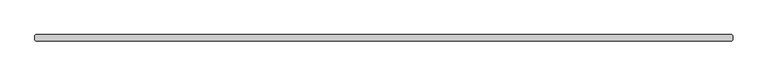
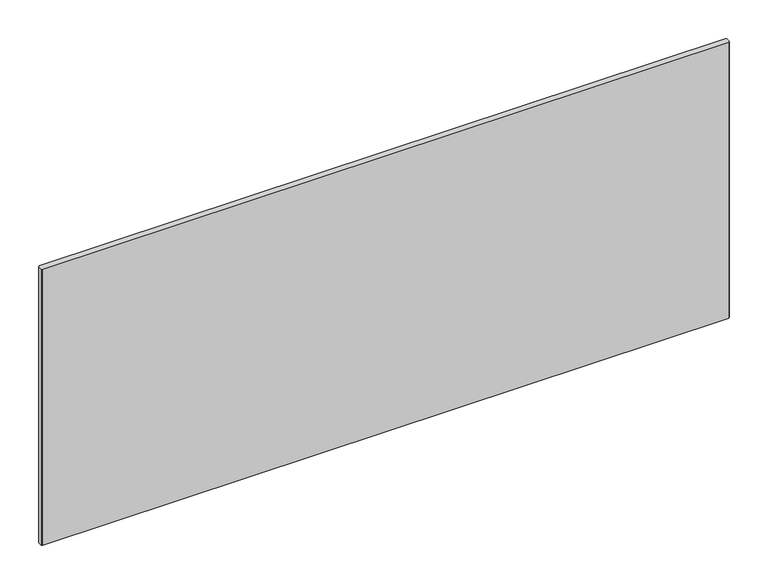
"""IFC4 building model written with IfcOpenShell, lengths in millimetres: plate geometry."""

from ifc_helpers import new_model, si_unit, origin, origin_with_axes, place, context, project, spatial, polyline, outline, extrude, source, transform, mapped, element, save


def plate_1100c49e(model_context):
    return source(origin(), model_context, "Body", "SweptSolid", [
        extrude(outline(polyline([(518.4363122, -34.925), (-518.4363122, -34.925), (-520.0238122, -33.3375), (-520.0238122, -26.9875), (-518.4363122, -25.4), (518.4363122, -25.4), (520.0238122, -26.9875), (520.0238122, -33.3375), (518.4363122, -34.925)])), origin_with_axes(), (0.0, 0.0, 1.0), 441.2289267),
    ])


if __name__ == "__main__":
    model = new_model("IFC4")
    model_context = context("Model", 3, world=origin())
    ifc_project = project(units=[si_unit("LENGTHUNIT", "METRE", prefix="MILLI")], contexts=[model_context])
    site = spatial("IfcSite", under=ifc_project)
    building = spatial("IfcBuilding", under=site)
    placement = place(None, origin())
    plate_shape = plate_1100c49e(model_context)
    element("IfcPlate", 1, at=placement, inside=building, context=model_context, shape_type="MappedRepresentation", body=[
        mapped(plate_shape, transform((0.0, 0.0, 0.0), x_axis=(1.0, 0.0, 0.0), y_axis=(0.0, 1.0, 0.0), z_axis=(0.0, 0.0, 1.0))),
    ])
    save(model, "model.ifc")
